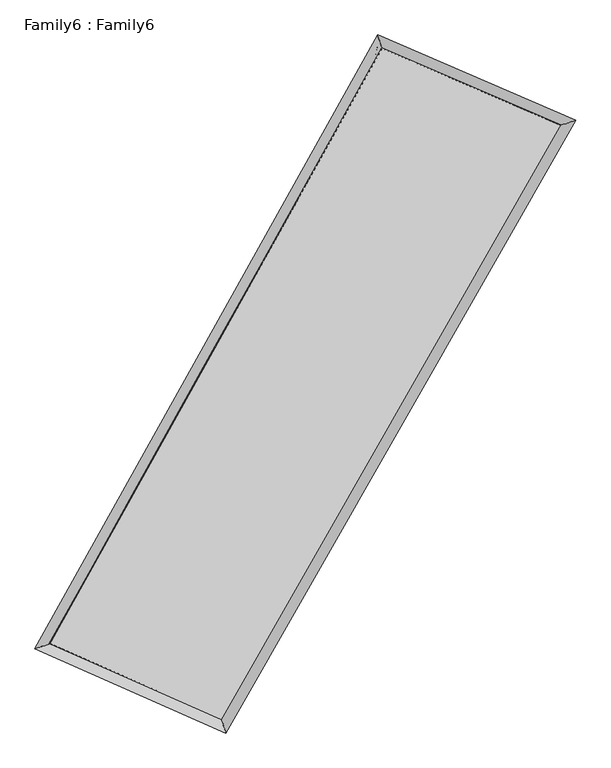
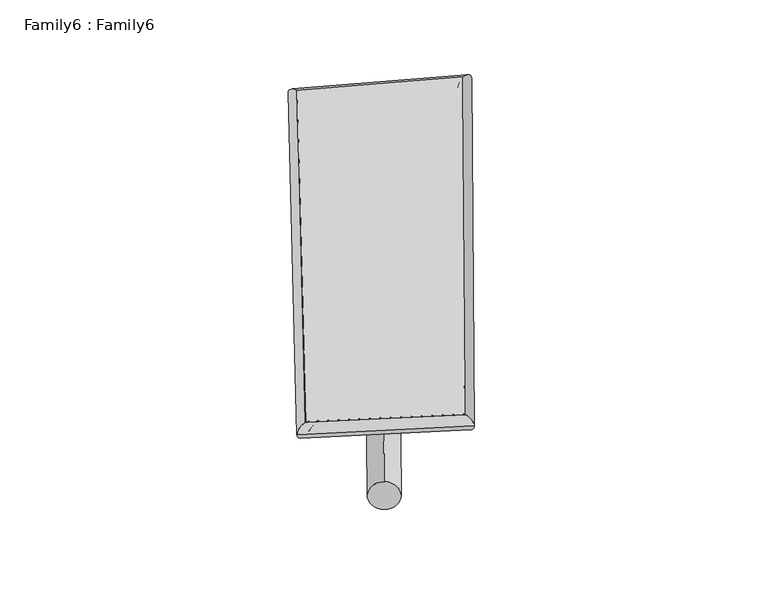
"""IFC4 building model written with IfcOpenShell, lengths in millimetres: plate geometry, Family6 : Family6."""

from ifc_helpers import new_model, si_unit, point, frame, origin, origin_2d, place, context, project, spatial, circle_curve, ellipse_curve, trimmed, segment, composite_curve, outline, extrude, source, transform, mapped, element, save
from ifc_brep_helpers import plane_surface, cylinder_surface, spline_surface, advanced_brep


def family6_family6_7cee95fb(model_context):
    return source(origin(), model_context, "Body", "SolidModel", [
        extrude(outline(composite_curve([segment(trimmed(circle_curve(origin_2d(), 76.2), [point((-75.4341514, -10.7763074))], [point((75.4341514, 10.7763074))], False, "CARTESIAN"), True, "CONTINUOUS"), segment(trimmed(circle_curve(origin_2d(), 76.2), [point((75.4341514, 10.7763074))], [point((-75.4341514, -10.7763074))], False, "CARTESIAN"), True, "CONTINUOUS")], self_intersect=False)), frame((9144.0, 9144.0, 0.0), z_axis=(0.6805890072801914, 0.6828465234258914, 0.26555456805435923), x_axis=(-0.6745046803491844, 0.7254821859577976, -0.13681752097206076)), (0.0, 0.0, 1.0), 5826.7054088),
        extrude(outline(composite_curve([segment(trimmed(circle_curve(origin_2d(), 76.2), [point((-53.8815367, 53.8815367))], [point((53.8815367, -53.8815367))], False, "CARTESIAN"), True, "CONTINUOUS"), segment(trimmed(circle_curve(origin_2d(), 76.2), [point((53.8815367, -53.8815367))], [point((-53.8815367, 53.8815367))], False, "CARTESIAN"), True, "CONTINUOUS")], self_intersect=False)), frame((9144.0, 9144.0, 0.0), z_axis=(-0.674551993980245, -0.6882094163116014, 0.2671093534815291), x_axis=(0.6383151796013486, -0.3619735192096165, 0.6793591854692947)), (0.0, 0.0, 1.0), 5794.7894847),
        extrude(outline(composite_curve([segment(trimmed(circle_curve(origin_2d(), 76.2), [point((-53.8815367, -53.8815367))], [point((53.8815367, 53.8815367))], False, "CARTESIAN"), True, "CONTINUOUS"), segment(trimmed(circle_curve(origin_2d(), 76.2), [point((53.8815367, 53.8815367))], [point((-53.8815367, -53.8815367))], False, "CARTESIAN"), True, "CONTINUOUS")], self_intersect=False)), frame((9144.0, 9144.0, 0.0), z_axis=(0.21816040325345726, 0.93729028914434, 0.2718325814320435), x_axis=(-0.8492342993481865, 0.31956863980073513, -0.42032961978250216)), (0.0, 0.0, 1.0), 5514.6091004),
        extrude(outline(composite_curve([segment(trimmed(circle_curve(origin_2d(), 76.2), [point((-75.4341514, 10.7763073))], [point((75.4341514, -10.7763073))], False, "CARTESIAN"), True, "CONTINUOUS"), segment(trimmed(circle_curve(origin_2d(), 76.2), [point((75.4341514, -10.7763073))], [point((-75.4341514, 10.7763073))], False, "CARTESIAN"), True, "CONTINUOUS")], self_intersect=False)), frame((9144.0, 9144.0, 0.0), z_axis=(-0.2275952862772369, -0.9351209915847933, 0.27156788610190147), x_axis=(0.8918722388915757, -0.08824493906367427, 0.44359524368975894)), (0.0, 0.0, 1.0), 5517.1615774),
        advanced_brep(
        [(5020.5626216, 5084.2109723, 1544.9240606), (5020.5105876, 5084.1225142, 1552.2208983), (5449.6637751, 5227.7316499, 1550.7608851), (10413.0590129, 14118.4393901, 1503.3868077), (10281.0796773, 14507.1397263, 1494.714047), (5449.7158092, 5227.8201079, 1543.4640474), (12892.6589218, 13050.2731511, 1546.7023178), (13326.524378, 13195.2179118, 1547.9141582), (7824.1597994, 4179.6873537, 1499.1124207), (7952.4802634, 3789.8854363, 1497.455393)],
        [
            (0, 1, ellipse_curve(frame((5235.1131984, 5155.9713111, 1547.8424728), z_axis=(-0.31729564560404555, 0.9482817206916684, 0.009233172951956992), x_axis=(-0.9481766006377974, -0.31740360167434056, 0.01469991996942093)), 226.3559887, 152.4)),
            (1, 2, ellipse_curve(frame((5235.1131984, 5155.9713111, 1547.8424728), z_axis=(-0.31729564560404555, 0.9482817206916684, 0.009233172951956992), x_axis=(-0.9481766006377974, -0.31740360167434056, 0.01469991996942093)), 226.3559887, 152.4)),
            (2, 3),
            (3, 4, ellipse_curve(frame((10347.0693451, 14312.7895582, 1499.0504273), z_axis=(-0.946825418353601, -0.3216563142301655, -0.007670897952232355), x_axis=(0.3215152514532068, -0.9467784668518775, 0.015442726073765291)), 205.2962164, 152.4)),
            (4, 0),
            (2, 5, ellipse_curve(frame((5235.1131984, 5155.9713111, 1547.8424728), z_axis=(-0.31729564560404555, 0.9482817206916684, 0.009233172951956992), x_axis=(-0.9481766006377974, -0.31740360167434056, 0.01469991996942093)), 226.3559887, 152.4)),
            (5, 0, ellipse_curve(frame((5235.1131984, 5155.9713111, 1547.8424728), z_axis=(-0.31729564560404555, 0.9482817206916684, 0.009233172951956992), x_axis=(-0.9481766006377974, -0.31740360167434056, 0.01469991996942093)), 226.3559887, 152.4)),
            (4, 3, ellipse_curve(frame((10347.0693451, 14312.7895582, 1499.0504273), z_axis=(-0.946825418353601, -0.3216563142301655, -0.007670897952232355), x_axis=(0.3215152514532068, -0.9467784668518775, 0.015442726073765291)), 205.2962164, 152.4)),
            (3, 6),
            (6, 7, ellipse_curve(frame((13109.5916499, 13122.7455314, 1547.308238), z_axis=(-0.316830051927076, 0.948443852998377, -0.00854259360378834), x_axis=(-0.9483495329591437, -0.31692355140576195, -0.013878973324180319)), 228.7371561, 152.4)),
            (7, 4),
            (7, 6, ellipse_curve(frame((13109.5916499, 13122.7455314, 1547.308238), z_axis=(-0.316830051927076, 0.948443852998377, -0.00854259360378834), x_axis=(-0.9483495329591437, -0.31692355140576195, -0.013878973324180319)), 228.7371561, 152.4)),
            (6, 8),
            (8, 9, ellipse_curve(frame((7888.3200314, 3984.786395, 1498.2839068), z_axis=(0.9498124118807886, 0.31270814150567366, -0.00836662854839019), x_axis=(-0.31254884498108976, 0.9497629414881568, 0.016234976955664483)), 205.2040419, 152.4)),
            (9, 7),
            (9, 8, ellipse_curve(frame((7888.3200314, 3984.786395, 1498.2839068), z_axis=(0.9498124118807886, 0.31270814150567366, -0.00836662854839019), x_axis=(-0.31254884498108976, 0.9497629414881568, 0.016234976955664483)), 205.2040419, 152.4)),
            (8, 5),
            (1, 9),
        ],
        [
            cylinder_surface(frame((5235.1131984, 5155.9713111, 1547.8424728), z_axis=(-0.4874462284092545, -0.8731406120609807, 0.004652523978338357), x_axis=(-0.8729481914029696, 0.4872095646307387, -0.0242547986718188)), 152.4),
            cylinder_surface(frame((10347.0693451, 14312.7895582, 1499.0504273), z_axis=(-0.9182902853789691, 0.3955826409303227, -0.016041383144948965), x_axis=(0.39580082289756957, 0.9182300291348482, -0.013975771485774079)), 152.4),
            cylinder_surface(frame((13109.5916499, 13122.7455314, 1547.308238), z_axis=(0.4961035209491993, 0.8682508846622969, 0.004658088121369691), x_axis=(0.8682624986190328, -0.49610352094919924, -0.00123692911742998)), 152.4),
            cylinder_surface(frame((7888.3200314, 3984.786395, 1498.2839068), z_axis=(0.9147011614694331, -0.40376957788189644, -0.017085467027434954), x_axis=(-0.4036526479392389, -0.9148580209515366, 0.00996701120090308)), 152.4),
        ],
        [
            (0, [[1, 2, 3, 4, 5]]),
            (0, [[6, 7, -5, 8, -3]]),
            (1, [[-4, 9, 10, 11]]),
            (1, [[-8, -11, 12, -9]]),
            (2, [[-10, 13, 14, 15]]),
            (2, [[-12, -15, 16, -13]]),
            (3, [[-14, 17, -6, -2, 18]]),
            (3, [[-16, -18, -1, -7, -17]]),
        ],
    ),
        extrude(outline(composite_curve([segment(trimmed(circle_curve(origin_2d(), 304.8), [point((-1e-07, 304.8))], [point((0.0, -304.8))], False, "CARTESIAN"), True, "CONTINUOUS"), segment(trimmed(circle_curve(origin_2d(), 304.8), [point((0.0, -304.8))], [point((-1e-07, 304.8))], False, "CARTESIAN"), True, "CONTINUOUS")], self_intersect=False)), frame((11758.3615866, 13725.7736175, -0.0324872), z_axis=(-0.4955965530958969, -0.8685528518872865, 6.158506931771759e-06), x_axis=(-0.8685528519075841, 0.4955965530958969, -1.6334217169830314e-06)), (0.0, 0.0, 1.0), 10550.3622666),
        advanced_brep(
        [(5235.1131984, 5155.9713111, 1547.8424728), (7888.3200314, 3984.786395, 1498.2839068), (7888.3091076, 3984.7896007, 1650.6839064), (5235.1022746, 5155.9745167, 1700.2424724), (13109.5916499, 13122.7455314, 1547.308238), (13109.5807261, 13122.7487371, 1699.7082376), (10347.0693451, 14312.7895582, 1499.0504273), (10347.0584213, 14312.7927639, 1651.4504269)],
        [
            (0, 1),
            (1, 2),
            (2, 3),
            (3, 0),
            (1, 4),
            (4, 5),
            (5, 2),
            (4, 6),
            (6, 7),
            (7, 5),
            (6, 0),
            (3, 7),
        ],
        [
            plane_surface(frame((6561.7166149, 4570.378853, 1523.0631898), z_axis=(-0.4038286752767566, -0.914834630373206, -9.702560757526672e-06), x_axis=(0.914701161469433, -0.40376957788189616, -0.01708546702743496))),
            plane_surface(frame((10498.9558406, 8553.7659632, 1522.7960724), z_axis=(0.868260134144639, -0.496109195816862, 7.267104077824174e-05), x_axis=(0.4961035209491991, 0.8682508846622969, 0.004658088121369688))),
            plane_surface(frame((11728.3304975, 13717.7675448, 1523.1793327), z_axis=(0.395633414384347, 0.9184085154988835, 9.03996161066064e-06), x_axis=(-0.918290285378969, 0.39558264093032286, -0.016041383144948976))),
            plane_surface(frame((7791.0912717, 9734.3804346, 1523.4464501), z_axis=(-0.8731502250827776, 0.48745120692466404, -7.28394369027142e-05), x_axis=(-0.4874462284092546, -0.8731406120609807, 0.004652523978338351))),
            spline_surface(1, 1, [[(7888.3091076, 3984.7896007, 1650.6839064), (5235.1022746, 5155.9745167, 1700.2424724)], [(13109.5807261, 13122.7487371, 1699.7082376), (10347.0584213, 14312.7927639, 1651.4504269)]], [2, 2], [2, 2], [0.0, 1.0], [0.0, 1.0]),
            spline_surface(1, 1, [[(10347.0693451, 14312.7895582, 1499.0504273), (5235.1131984, 5155.9713111, 1547.8424728)], [(13109.5916499, 13122.7455314, 1547.308238), (7888.3200314, 3984.786395, 1498.2839068)]], [2, 2], [2, 2], [0.0, 1.0], [0.0, 1.0]),
        ],
        [
            (0, [[1, 2, 3, 4]]),
            (1, [[5, 6, 7, -2]]),
            (2, [[8, 9, 10, -6]]),
            (3, [[11, -4, 12, -9]]),
            (4, [[-3, -7, -10, -12]]),
            (5, [[-11, -8, -5, -1]]),
        ],
    ),
    ])


if __name__ == "__main__":
    model = new_model("IFC4")
    model_context = context("Model", 3, world=origin())
    ifc_project = project(units=[si_unit("LENGTHUNIT", "METRE", prefix="MILLI")], contexts=[model_context])
    site = spatial("IfcSite", under=ifc_project)
    building = spatial("IfcBuilding", under=site)
    placement = place(None, origin())
    family6_family6_shape = family6_family6_7cee95fb(model_context)
    element("IfcPlate", 1, ObjectType="Family6 : Family6", at=placement, inside=building, context=model_context, shape_type="MappedRepresentation", body=[
        mapped(family6_family6_shape, transform((0.0, 0.0, 0.0), x_axis=(1.0, 0.0, 0.0), y_axis=(0.0, 1.0, 0.0), z_axis=(0.0, 0.0, 1.0))),
    ])
    save(model, "model.ifc")
